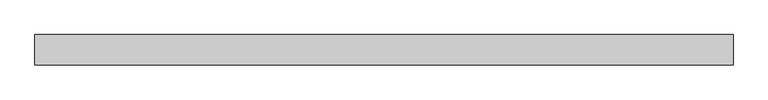
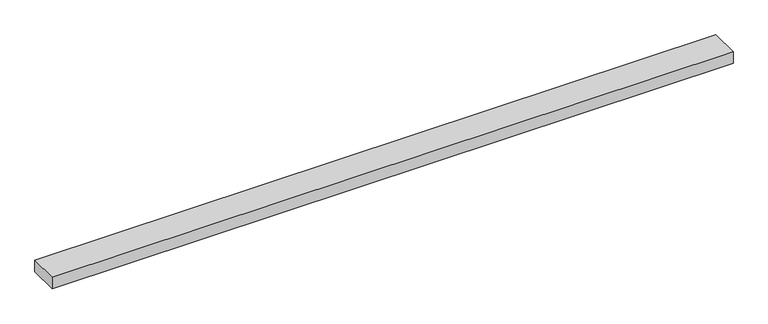
"""IFC4 building model written with IfcOpenShell, lengths in millimetres: beam geometry."""

import ifcopenshell
import ifcopenshell.guid

model = None  # the IFC model being written
_history = None  # IfcOwnerHistory: only IFC2X3 demands one
_inside = {}  # id of a spatial element -> (the spatial element, [elements in it])
_under = {}  # id of a project, library or spatial element -> (it, [spatial elements below it])
_declared = {}  # id of a project -> (the project, [libraries it declares])
_typed = {}  # id of a type object -> (the type object, [elements of that type])
_made_of = {}  # id of a material, layer set ... -> (it, [elements and type objects made of it])


def new_model(schema):
    """Start an empty IFC model of exactly this schema.

    Asked for "IFC4X3", IfcOpenShell would pick the latest addendum, in which some entities
    have other attributes; the version numbers below select the first issue.
    IFC2X3 requires an IfcOwnerHistory on every rooted entity: one is made here for all.
    """
    global model, _history
    if schema == "IFC4X3":
        model = ifcopenshell.file(schema_version=(4, 3, 0, 0))
    else:
        model = ifcopenshell.file(schema=schema)
    _inside.clear()
    _under.clear()
    _declared.clear()
    _typed.clear()
    _made_of.clear()
    _history = None
    if model.schema == "IFC2X3":
        org = make("IfcOrganization", Name="unknown")
        user = make(
            "IfcPersonAndOrganization",
            ThePerson=make("IfcPerson", FamilyName="unknown"),
            TheOrganization=org,
        )
        app = make(
            "IfcApplication",
            ApplicationDeveloper=org,
            Version="unknown",
            ApplicationFullName="unknown",
            ApplicationIdentifier="unknown",
        )
        _history = make(
            "IfcOwnerHistory",
            OwningUser=user,
            OwningApplication=app,
            ChangeAction="ADDED",
            CreationDate=0,
        )
    return model


def make(cls, **values):
    """One entity of the class cls with the attributes given. An attribute that is None is left unset."""
    return model.create_entity(
        cls, **{name: value for name, value in values.items() if value is not None}
    )


def rooted(cls, **values):
    """An entity with a GlobalId (a new one), such as an element, a storey or a relation."""
    return make(cls, GlobalId=ifcopenshell.guid.new(), OwnerHistory=_history, **values)


def si_unit(unit_type, name, prefix=None):
    """IfcSIUnit, for example si_unit("LENGTHUNIT", "METRE", prefix="MILLI")."""
    return make("IfcSIUnit", UnitType=unit_type, Prefix=prefix, Name=name)


def assignment(units):
    """IfcUnitAssignment: the units of a project."""
    return None if units is None else make("IfcUnitAssignment", Units=units)


def point(xyz):
    """IfcCartesianPoint."""
    return None if xyz is None else make("IfcCartesianPoint", Coordinates=xyz)


def direction(xyz):
    """IfcDirection."""
    return None if xyz is None else make("IfcDirection", DirectionRatios=xyz)


def frame(location, z_axis=None, x_axis=None):
    """IfcAxis2Placement3D, a coordinate frame: its origin and axes. An axis left out is left unset."""
    return make(
        "IfcAxis2Placement3D",
        Location=point(location),
        Axis=direction(z_axis),
        RefDirection=direction(x_axis),
    )


def origin():
    """The frame at (0, 0, 0) with its axes left unset."""
    return frame((0.0, 0.0, 0.0))


def place(relative_to, where):
    """IfcLocalPlacement: puts the frame where relative to a parent placement (None: the world)."""
    return make(
        "IfcLocalPlacement", PlacementRelTo=relative_to, RelativePlacement=where
    )


def context(
    kind, dimensions, precision=None, world=None, true_north=None, identifier=None
):
    """IfcGeometricRepresentationContext, for example the 3D "Model" context."""
    return make(
        "IfcGeometricRepresentationContext",
        ContextIdentifier=identifier,
        ContextType=kind,
        CoordinateSpaceDimension=dimensions,
        Precision=precision,
        WorldCoordinateSystem=world,
        TrueNorth=true_north,
    )


def project(units=None, contexts=None):
    """IfcProject with its units and contexts."""
    return rooted(
        "IfcProject",
        Name="project",
        RepresentationContexts=contexts,
        UnitsInContext=assignment(units),
    )


def spatial(cls, under=None, at=None, **own):
    """A site, building, storey or space (cls), placed at a placement, below another one or the project."""
    s = rooted(cls, ObjectPlacement=at, **own)
    if under is not None:
        _under.setdefault(under.id(), (under, []))[1].append(s)
    return s


def polyline(points):
    """IfcPolyline through the points."""
    return make("IfcPolyline", Points=[point(p) for p in points])


def outline(outer, holes=None, kind="AREA"):
    """IfcArbitraryClosedProfileDef: a profile drawn as a closed curve; with holes, ...WithVoids."""
    if holes is None:
        return make("IfcArbitraryClosedProfileDef", ProfileType=kind, OuterCurve=outer)
    return make(
        "IfcArbitraryProfileDefWithVoids",
        ProfileType=kind,
        OuterCurve=outer,
        InnerCurves=holes,
    )


def extrude(swept, where, along, depth):
    """IfcExtrudedAreaSolid: the profile swept, set in the frame where, extruded along a direction by depth."""
    return make(
        "IfcExtrudedAreaSolid",
        SweptArea=swept,
        Position=where,
        ExtrudedDirection=direction(along),
        Depth=depth,
    )


def shape(context_of_items, identifier, shape_type, items):
    """IfcShapeRepresentation: the items that make up one representation, for example the "Body"."""
    return make(
        "IfcShapeRepresentation",
        ContextOfItems=context_of_items,
        RepresentationIdentifier=identifier,
        RepresentationType=shape_type,
        Items=items,
    )


def source(mapping_origin, context_of_items, identifier, shape_type, items):
    """IfcRepresentationMap: a shape defined once, which mapped items show again and again."""
    return make(
        "IfcRepresentationMap",
        MappingOrigin=mapping_origin,
        MappedRepresentation=shape(context_of_items, identifier, shape_type, items),
    )


def transform(
    local_origin,
    x_axis=None,
    y_axis=None,
    z_axis=None,
    scale=None,
    scale2=None,
    scale3=None,
    uniform=True,
):
    """IfcCartesianTransformationOperator3D, or its non-uniform kind. x_axis, y_axis, z_axis: its Axis1, 2, 3."""
    if uniform:
        return make(
            "IfcCartesianTransformationOperator3D",
            Axis1=direction(x_axis),
            Axis2=direction(y_axis),
            LocalOrigin=point(local_origin),
            Scale=scale,
            Axis3=direction(z_axis),
        )
    return make(
        "IfcCartesianTransformationOperator3DnonUniform",
        Axis1=direction(x_axis),
        Axis2=direction(y_axis),
        LocalOrigin=point(local_origin),
        Scale=scale,
        Axis3=direction(z_axis),
        Scale2=scale2,
        Scale3=scale3,
    )


def mapped(mapping_source, mapping_target):
    """IfcMappedItem: shows the shape of a source again, moved by a transform."""
    return make(
        "IfcMappedItem", MappingSource=mapping_source, MappingTarget=mapping_target
    )


def made_of(thing, what):
    """Note that an element or type object is made of a material, layer set ...; save() writes the relation."""
    if what is not None:
        _made_of.setdefault(what.id(), (what, []))[1].append(thing)
    return thing


def element(
    cls,
    number,
    at=None,
    inside=None,
    cuts=None,
    type_object=None,
    material=None,
    context=None,
    identifier="Body",
    shape_type=None,
    held_by="IfcProductDefinitionShape",
    body=None,
    shapes=None,
    **own,
):
    """One element of the class cls, such as IfcWall. Its Tag is "e" and its number.

    at: its placement. inside: the storey or other place that contains it. cuts: it is an
    opening in that element (IfcRelVoidsElement). A single representation is given by context,
    identifier, shape_type and body (its items); several are given by shapes. held_by: the class
    of the entity that holds the representations. save() writes the other relations.
    """
    e = rooted(cls, Tag="e%d" % number, ObjectPlacement=at, **own)
    if body is not None:
        shapes = [shape(context, identifier, shape_type, body)]
    if shapes is not None:
        e.Representation = make(held_by, Representations=shapes)
    if inside is not None:
        _inside.setdefault(inside.id(), (inside, []))[1].append(e)
    if cuts is not None:
        rooted(
            "IfcRelVoidsElement", RelatingBuildingElement=cuts, RelatedOpeningElement=e
        )
    if type_object is not None:
        _typed.setdefault(type_object.id(), (type_object, []))[1].append(e)
    return made_of(e, material)


def aggregate(whole, parts):
    """IfcRelAggregates: a whole, such as a stair, and the parts it consists of."""
    return rooted("IfcRelAggregates", RelatingObject=whole, RelatedObjects=parts)


def save(model, path):
    """Write the relations noted so far, then the file.

    IfcRelAggregates (storeys below a building ...), IfcRelContainedInSpatialStructure (elements
    in a storey), IfcRelDefinesByType, IfcRelAssociatesMaterial and IfcRelDeclares: one each for
    every whole, place, type object, material and project.
    """
    for whole, parts in _under.values():
        aggregate(whole, parts)
    for where, things in _inside.values():
        rooted(
            "IfcRelContainedInSpatialStructure",
            RelatedElements=things,
            RelatingStructure=where,
        )
    for kind, things in _typed.values():
        rooted("IfcRelDefinesByType", RelatedObjects=things, RelatingType=kind)
    for what, things in _made_of.values():
        rooted("IfcRelAssociatesMaterial", RelatedObjects=things, RelatingMaterial=what)
    for by, libraries in _declared.values():
        rooted("IfcRelDeclares", RelatingContext=by, RelatedDefinitions=libraries)
    model.write(path)


def beam_7e62d9f3(model_context):
    return source(origin(), model_context, "Body", "SweptSolid", [
        extrude(outline(polyline([(820.7, -35.0), (-785.7, -35.0), (-785.7, 35.0), (820.7, 35.0), (820.7, -35.0)])), frame((0.0, 0.0, -14.0), z_axis=(0.0, 0.0, 1.0), x_axis=(1.0, 0.0, 0.0)), (0.0, 0.0, 1.0), 28.0),
    ])


if __name__ == "__main__":
    model = new_model("IFC4")
    model_context = context("Model", 3, world=origin())
    ifc_project = project(units=[si_unit("LENGTHUNIT", "METRE", prefix="MILLI")], contexts=[model_context])
    site = spatial("IfcSite", under=ifc_project)
    building = spatial("IfcBuilding", under=site)
    placement = place(None, origin())
    beam_shape = beam_7e62d9f3(model_context)
    element("IfcBeam", 1, at=placement, inside=building, context=model_context, shape_type="MappedRepresentation", body=[
        mapped(beam_shape, transform((0.0, 0.0, 0.0), x_axis=(1.0, 0.0, 0.0), y_axis=(0.0, 1.0, 0.0), z_axis=(0.0, 0.0, 1.0))),
    ])
    save(model, "model.ifc")
